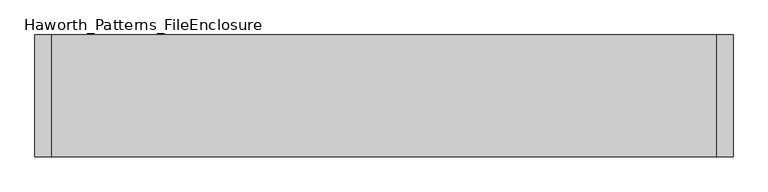
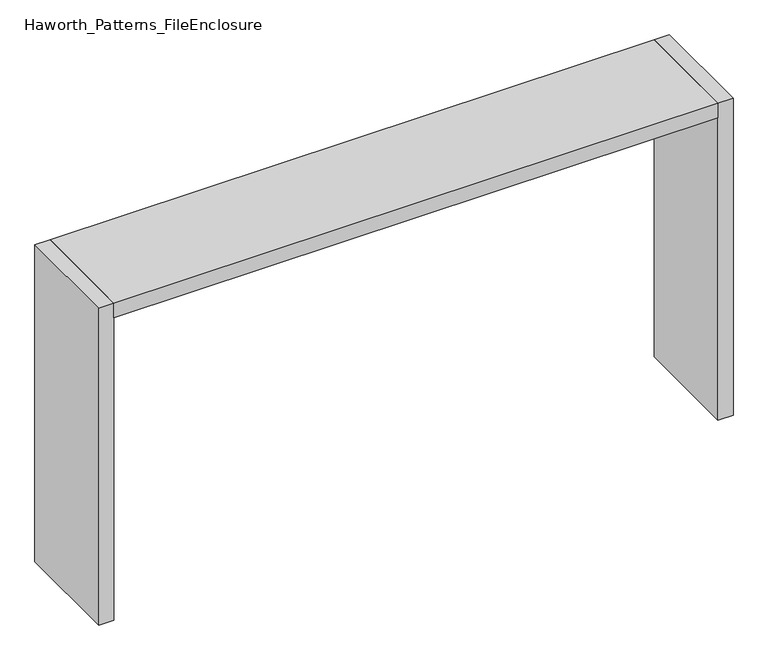
"""IFC4 building model written with IfcOpenShell, lengths in millimetres: furniture geometry, Haworth_Patterns_FileEnclosure."""

from ifc_helpers import new_model, si_unit, frame, origin, origin_with_axes, place, context, project, spatial, polyline, outline, extrude, source, transform, mapped, element, save


def haworth_patterns_fileenclosure_08b9307b(model_context):
    return source(origin(), model_context, "Body", "SweptSolid", [
        extrude(outline(polyline([(1524.0, 0.0), (1524.0, -558.8), (-1524.0, -558.8), (-1524.0, 0.0), (1524.0, 0.0)])), frame((0.0, 0.0, 1612.9), z_axis=(0.0, 0.0, 1.0), x_axis=(1.0, 0.0, 0.0)), (0.0, 0.0, 1.0), 76.2),
        extrude(outline(polyline([(1524.0, 0.0), (1600.2, 0.0), (1600.2, -558.8), (1524.0, -558.8), (1524.0, 0.0)])), origin_with_axes(), (0.0, 0.0, 1.0), 1689.1),
        extrude(outline(polyline([(-1524.0, 0.0), (-1524.0, -558.8), (-1600.2, -558.8), (-1600.2, 0.0), (-1524.0, 0.0)])), origin_with_axes(), (0.0, 0.0, 1.0), 1689.1),
    ])


if __name__ == "__main__":
    model = new_model("IFC4")
    model_context = context("Model", 3, world=origin())
    ifc_project = project(units=[si_unit("LENGTHUNIT", "METRE", prefix="MILLI")], contexts=[model_context])
    site = spatial("IfcSite", under=ifc_project)
    building = spatial("IfcBuilding", under=site)
    placement = place(None, origin())
    haworth_patterns_fileenclosure_shape = haworth_patterns_fileenclosure_08b9307b(model_context)
    element("IfcFurniture", 1, ObjectType="Haworth_Patterns_FileEnclosure", at=placement, inside=building, context=model_context, shape_type="MappedRepresentation", body=[
        mapped(haworth_patterns_fileenclosure_shape, transform((0.0, 0.0, 0.0), x_axis=(1.0, 0.0, 0.0), y_axis=(0.0, 1.0, 0.0), z_axis=(0.0, 0.0, 1.0))),
    ])
    save(model, "model.ifc")
